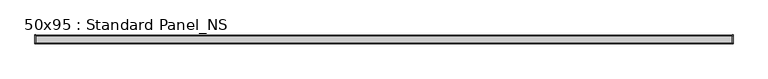
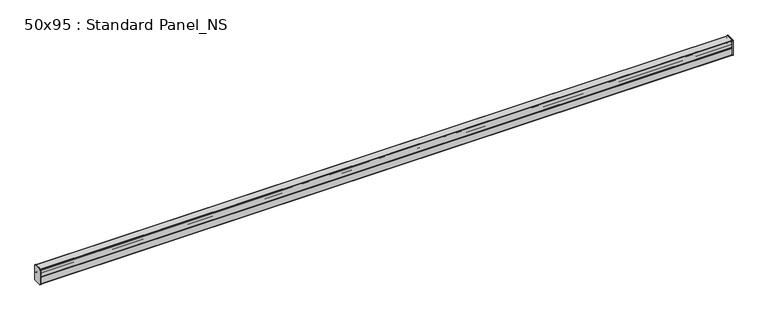
"""IFC4 building model written with IfcOpenShell, lengths in millimetres: proxy geometry, 50x95 : Standard Panel_NS."""

from ifc_helpers import new_model, si_unit, point, frame, frame_2d, origin, place, context, project, spatial, polyline, circle_curve, trimmed, segment, composite_curve, outline, extrude, source, transform, mapped, element, save


def proxy_50x95_standard_panel_ns_09ff3e85(model_context):
    return source(origin(), model_context, "Body", "SweptSolid", [
        extrude(outline(composite_curve([segment(trimmed(circle_curve(frame_2d((-23.35, -93.35)), 3.65), [point((-23.35, -97.0))], [point((-27.0, -93.35))], False, "CARTESIAN"), True, "CONTINUOUS"), segment(polyline([(-27.0, -93.35), (-27.0, -1.65)]), True, "CONTINUOUS"), segment(trimmed(circle_curve(frame_2d((-23.35, -1.65)), 3.65), [point((-27.0, -1.65))], [point((-23.35, 2.0))], False, "CARTESIAN"), True, "CONTINUOUS"), segment(polyline([(-23.35, 2.0), (23.35, 2.0)]), True, "CONTINUOUS"), segment(trimmed(circle_curve(frame_2d((23.35, -1.65)), 3.65), [point((23.35, 2.0))], [point((27.0, -1.65))], False, "CARTESIAN"), True, "CONTINUOUS"), segment(polyline([(27.0, -1.65), (27.0, -93.35)]), True, "CONTINUOUS"), segment(trimmed(circle_curve(frame_2d((23.35, -93.35)), 3.65), [point((27.0, -93.35))], [point((23.35, -97.0))], False, "CARTESIAN"), True, "CONTINUOUS"), segment(polyline([(23.35, -97.0), (-23.35, -97.0)]), True, "CONTINUOUS")], self_intersect=False)), frame((4200.0, 0.0, 0.0), z_axis=(1.0, 0.0, 0.0), x_axis=(0.0, 1.0, 0.0)), (0.0, 0.0, 1.0), 4.0),
        extrude(outline(composite_curve([segment(polyline([(23.35, -97.0), (-23.35, -97.0)]), True, "CONTINUOUS"), segment(trimmed(circle_curve(frame_2d((-23.35, -93.35)), 3.65), [point((-23.35, -97.0))], [point((-27.0, -93.35))], False, "CARTESIAN"), True, "CONTINUOUS"), segment(polyline([(-27.0, -93.35), (-27.0, -1.65)]), True, "CONTINUOUS"), segment(trimmed(circle_curve(frame_2d((-23.35, -1.65)), 3.65), [point((-27.0, -1.65))], [point((-23.35, 2.0))], False, "CARTESIAN"), True, "CONTINUOUS"), segment(polyline([(-23.35, 2.0), (23.35, 2.0)]), True, "CONTINUOUS"), segment(trimmed(circle_curve(frame_2d((23.35, -1.65)), 3.65), [point((23.35, 2.0))], [point((27.0, -1.65))], False, "CARTESIAN"), True, "CONTINUOUS"), segment(polyline([(27.0, -1.65), (27.0, -93.35)]), True, "CONTINUOUS"), segment(trimmed(circle_curve(frame_2d((23.35, -93.35)), 3.65), [point((27.0, -93.35))], [point((23.35, -97.0))], False, "CARTESIAN"), True, "CONTINUOUS")], self_intersect=False)), frame((-4.0, 0.0, 0.0), z_axis=(1.0, 0.0, 0.0), x_axis=(0.0, 1.0, 0.0)), (0.0, 0.0, 1.0), 4.0),
        extrude(outline(composite_curve([segment(polyline([(-23.2928932, -26.5181891), (-23.2928932, -10.786798)]), True, "CONTINUOUS"), segment(trimmed(circle_curve(frame_2d((-21.7928932, -10.786798)), 1.5), [point((-23.2928932, -10.786798))], [point((-20.2928932, -10.786798))], False, "CARTESIAN"), True, "CONTINUOUS"), segment(polyline([(-20.2928932, -10.786798), (-20.2928932, -19.286798), (-21.2928932, -19.286798), (-21.2928932, -10.786798)]), True, "CONTINUOUS"), segment(trimmed(circle_curve(frame_2d((-21.7928932, -10.786798)), 0.5), [point((-21.2928932, -10.786798))], [point((-22.2928932, -10.786798))], True, "CARTESIAN"), True, "CONTINUOUS"), segment(polyline([(-22.2928932, -10.786798), (-22.2928932, -26.7874279), (-12.4741595, -36.6061616)]), True, "CONTINUOUS"), segment(trimmed(circle_curve(frame_2d((-13.888373, -38.0203752)), 2.0), [point((-12.4741595, -36.6061616))], [point((-12.4741595, -39.4345888))], False, "CARTESIAN"), True, "CONTINUOUS"), segment(polyline([(-12.4741595, -39.4345888), (-24.0, -50.9604293), (-24.0, -93.4713203)]), True, "CONTINUOUS"), segment(trimmed(circle_curve(frame_2d((-23.35, -93.4713203)), 0.65), [point((-24.0, -93.4713203))], [point((-23.35, -94.1213203))], True, "CARTESIAN"), True, "CONTINUOUS"), segment(polyline([(-23.35, -94.1213203), (23.35, -94.1213203)]), True, "CONTINUOUS"), segment(trimmed(circle_curve(frame_2d((23.35, -93.4713203)), 0.65), [point((23.35, -94.1213203))], [point((24.0, -93.4713203))], True, "CARTESIAN"), True, "CONTINUOUS"), segment(polyline([(24.0, -93.4713203), (24.0, -50.9604293), (12.4741595, -39.4345888)]), True, "CONTINUOUS"), segment(trimmed(circle_curve(frame_2d((13.888373, -38.0203752)), 2.0), [point((12.4741595, -39.4345888))], [point((12.4741595, -36.6061616))], False, "CARTESIAN"), True, "CONTINUOUS"), segment(polyline([(12.4741595, -36.6061616), (22.2928932, -26.7874279), (22.2928932, -10.786798)]), True, "CONTINUOUS"), segment(trimmed(circle_curve(frame_2d((21.7928932, -10.786798)), 0.5), [point((22.2928932, -10.786798))], [point((21.2928932, -10.786798))], True, "CARTESIAN"), True, "CONTINUOUS"), segment(polyline([(21.2928932, -10.786798), (21.2928932, -19.286798), (20.2928932, -19.286798), (20.2928932, -10.786798)]), True, "CONTINUOUS"), segment(trimmed(circle_curve(frame_2d((21.7928932, -10.786798)), 1.5), [point((20.2928932, -10.786798))], [point((23.2928932, -10.786798))], False, "CARTESIAN"), True, "CONTINUOUS"), segment(polyline([(23.2928932, -10.786798), (23.2928932, -26.5181891)]), True, "CONTINUOUS"), segment(trimmed(circle_curve(frame_2d((21.6428932, -26.5181891)), 1.65), [point((23.2928932, -26.5181891))], [point((22.8096194, -27.6849153))], False, "CARTESIAN"), True, "CONTINUOUS"), segment(polyline([(22.8096194, -27.6849153), (13.1862915, -37.3082432)]), True, "CONTINUOUS"), segment(trimmed(circle_curve(frame_2d((13.8933983, -38.01535)), 1.0), [point((13.1862915, -37.3082432))], [point((13.1862915, -38.7224567))], True, "CARTESIAN"), True, "CONTINUOUS"), segment(polyline([(13.1862915, -38.7224567), (24.5167262, -50.0528914)]), True, "CONTINUOUS"), segment(trimmed(circle_curve(frame_2d((23.35, -51.2196176)), 1.65), [point((24.5167262, -50.0528914))], [point((25.0, -51.2196176))], False, "CARTESIAN"), True, "CONTINUOUS"), segment(polyline([(25.0, -51.2196176), (25.0, -93.4713203)]), True, "CONTINUOUS"), segment(trimmed(circle_curve(frame_2d((23.35, -93.4713203)), 1.65), [point((25.0, -93.4713203))], [point((23.35, -95.1213203))], False, "CARTESIAN"), True, "CONTINUOUS"), segment(polyline([(23.35, -95.1213203), (-23.35, -95.1213203)]), True, "CONTINUOUS"), segment(trimmed(circle_curve(frame_2d((-23.35, -93.4713203)), 1.65), [point((-23.35, -95.1213203))], [point((-25.0, -93.4713203))], False, "CARTESIAN"), True, "CONTINUOUS"), segment(polyline([(-25.0, -93.4713203), (-25.0, -51.2196176)]), True, "CONTINUOUS"), segment(trimmed(circle_curve(frame_2d((-23.35, -51.2196176)), 1.65), [point((-25.0, -51.2196176))], [point((-24.5167262, -50.0528914))], False, "CARTESIAN"), True, "CONTINUOUS"), segment(polyline([(-24.5167262, -50.0528914), (-13.1862915, -38.7224567)]), True, "CONTINUOUS"), segment(trimmed(circle_curve(frame_2d((-13.8933983, -38.01535)), 1.0), [point((-13.1862915, -38.7224567))], [point((-13.1862915, -37.3082432))], True, "CARTESIAN"), True, "CONTINUOUS"), segment(polyline([(-13.1862915, -37.3082432), (-22.8096194, -27.6849153)]), True, "CONTINUOUS"), segment(trimmed(circle_curve(frame_2d((-21.6428932, -26.5181891)), 1.65), [point((-22.8096194, -27.6849153))], [point((-23.2928932, -26.5181891))], False, "CARTESIAN"), True, "CONTINUOUS")], self_intersect=False)), frame((0.0, 0.0, 0.0), z_axis=(1.0, 0.0, 0.0), x_axis=(0.0, 1.0, 0.0)), (0.0, 0.0, 1.0), 4200.0),
        extrude(outline(composite_curve([segment(polyline([(22.0, -45.5), (22.0, -32.0), (23.0, -32.0), (23.0, -45.5)]), True, "CONTINUOUS"), segment(trimmed(circle_curve(frame_2d((23.5, -45.5)), 0.5), [point((23.0, -45.5))], [point((24.0, -45.5))], True, "CARTESIAN"), True, "CONTINUOUS"), segment(polyline([(24.0, -45.5), (24.0, -1.65)]), True, "CONTINUOUS"), segment(trimmed(circle_curve(frame_2d((23.35, -1.65)), 0.65), [point((24.0, -1.65))], [point((23.35, -1.0))], True, "CARTESIAN"), True, "CONTINUOUS"), segment(polyline([(23.35, -1.0), (-23.35, -1.0)]), True, "CONTINUOUS"), segment(trimmed(circle_curve(frame_2d((-23.35, -1.65)), 0.65), [point((-23.35, -1.0))], [point((-24.0, -1.65))], True, "CARTESIAN"), True, "CONTINUOUS"), segment(polyline([(-24.0, -1.65), (-24.0, -45.5)]), True, "CONTINUOUS"), segment(trimmed(circle_curve(frame_2d((-23.5, -45.5)), 0.5), [point((-24.0, -45.5))], [point((-23.0, -45.5))], True, "CARTESIAN"), True, "CONTINUOUS"), segment(polyline([(-23.0, -45.5), (-23.0, -32.0), (-22.0, -32.0), (-22.0, -45.5)]), True, "CONTINUOUS"), segment(trimmed(circle_curve(frame_2d((-23.5, -45.5)), 1.5), [point((-22.0, -45.5))], [point((-25.0, -45.5))], False, "CARTESIAN"), True, "CONTINUOUS"), segment(polyline([(-25.0, -45.5), (-25.0, -1.65)]), True, "CONTINUOUS"), segment(trimmed(circle_curve(frame_2d((-23.35, -1.65)), 1.65), [point((-25.0, -1.65))], [point((-23.35, 0.0))], False, "CARTESIAN"), True, "CONTINUOUS"), segment(polyline([(-23.35, 0.0), (23.35, 0.0)]), True, "CONTINUOUS"), segment(trimmed(circle_curve(frame_2d((23.35, -1.65)), 1.65), [point((23.35, 0.0))], [point((25.0, -1.65))], False, "CARTESIAN"), True, "CONTINUOUS"), segment(polyline([(25.0, -1.65), (25.0, -45.5)]), True, "CONTINUOUS"), segment(trimmed(circle_curve(frame_2d((23.5, -45.5)), 1.5), [point((25.0, -45.5))], [point((22.0, -45.5))], False, "CARTESIAN"), True, "CONTINUOUS")], self_intersect=False)), frame((0.0, 0.0, 0.0), z_axis=(1.0, 0.0, 0.0), x_axis=(0.0, 1.0, 0.0)), (0.0, 0.0, 1.0), 4200.0),
    ])


if __name__ == "__main__":
    model = new_model("IFC4")
    model_context = context("Model", 3, world=origin())
    ifc_project = project(units=[si_unit("LENGTHUNIT", "METRE", prefix="MILLI")], contexts=[model_context])
    site = spatial("IfcSite", under=ifc_project)
    building = spatial("IfcBuilding", under=site)
    placement = place(None, origin())
    proxy_50x95_standard_panel_ns_shape = proxy_50x95_standard_panel_ns_09ff3e85(model_context)
    element("IfcBuildingElementProxy", 1, Name="50x95 : Standard Panel_NS", ObjectType="50x95 : Standard Panel_NS", at=placement, inside=building, context=model_context, shape_type="MappedRepresentation", body=[
        mapped(proxy_50x95_standard_panel_ns_shape, transform((0.0, 0.0, 0.0), x_axis=(1.0, 0.0, 0.0), y_axis=(0.0, 1.0, 0.0), z_axis=(0.0, 0.0, 1.0))),
    ])
    save(model, "model.ifc")
